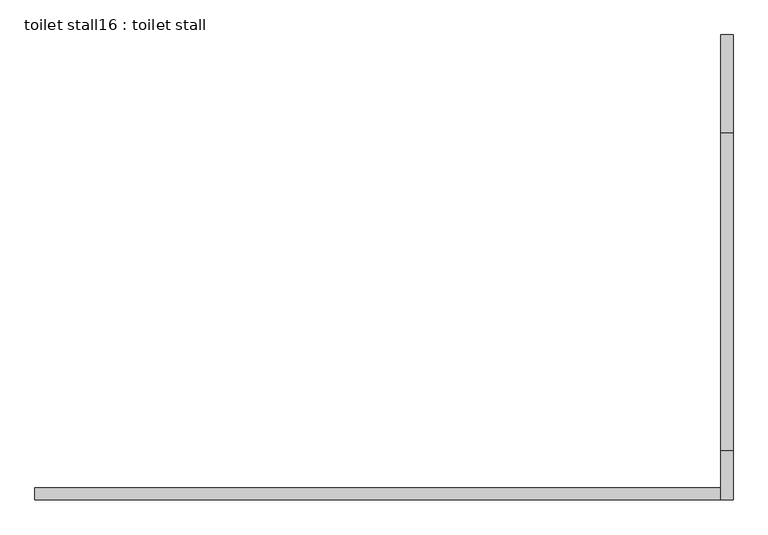
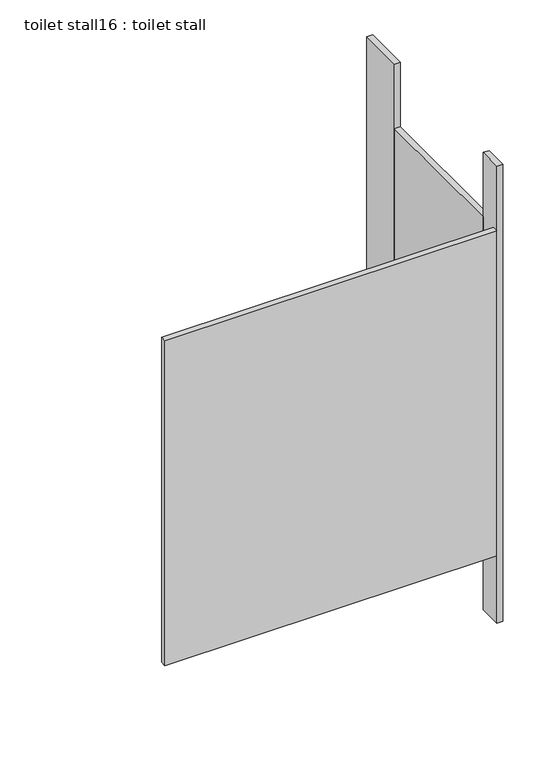
"""IFC4 building model written with IfcOpenShell, lengths in millimetres: proxy geometry, toilet stall16 : toilet stall."""

from ifc_helpers import new_model, si_unit, frame, origin, origin_with_axes, place, context, project, spatial, polyline, outline, extrude, source, transform, mapped, element, save


def toilet_stall16_toilet_stall_0dfec9f1(model_context):
    return source(origin(), model_context, "Body", "SweptSolid", [
        extrude(outline(polyline([(458207.8504676, -270861.6113632), (458207.8504676, -270658.4113632), (458233.2504676, -270658.4113632), (458233.2504676, -270861.6113632), (458207.8504676, -270861.6113632)])), origin_with_axes(), (0.0, 0.0, 1.0), 2070.1),
        extrude(outline(polyline([(458207.8504676, -271623.6113632), (458207.8504676, -271522.0113632), (458233.2504676, -271522.0113632), (458233.2504676, -271623.6113632), (458207.8504676, -271623.6113632)])), origin_with_axes(), (0.0, 0.0, 1.0), 2070.1),
        extrude(outline(polyline([(458207.8504676, -271623.6113632), (456785.4504676, -271623.6113632), (456785.4504676, -271598.2113632), (458207.8504676, -271598.2113632), (458207.8504676, -271623.6113632)])), frame((0.0, 0.0, 304.8), z_axis=(0.0, 0.0, 1.0), x_axis=(1.0, 0.0, 0.0)), (0.0, 0.0, 1.0), 1473.2),
        extrude(outline(polyline([(458207.8504676, -271522.0113632), (458207.8504676, -270861.6113632), (458233.2504676, -270861.6113632), (458233.2504676, -271522.0113632), (458207.8504676, -271522.0113632)])), frame((0.0, 0.0, 304.8), z_axis=(0.0, 0.0, 1.0), x_axis=(1.0, 0.0, 0.0)), (0.0, 0.0, 1.0), 1473.2),
    ])


if __name__ == "__main__":
    model = new_model("IFC4")
    model_context = context("Model", 3, world=origin())
    ifc_project = project(units=[si_unit("LENGTHUNIT", "METRE", prefix="MILLI")], contexts=[model_context])
    site = spatial("IfcSite", under=ifc_project)
    building = spatial("IfcBuilding", under=site)
    placement = place(None, origin())
    toilet_stall16_toilet_stall_shape = toilet_stall16_toilet_stall_0dfec9f1(model_context)
    element("IfcBuildingElementProxy", 1, Name="toilet stall16 : toilet stall", ObjectType="toilet stall16 : toilet stall", at=placement, inside=building, context=model_context, shape_type="MappedRepresentation", body=[
        mapped(toilet_stall16_toilet_stall_shape, transform((0.0, 0.0, 0.0), x_axis=(1.0, 0.0, 0.0), y_axis=(0.0, 1.0, 0.0), z_axis=(0.0, 0.0, 1.0))),
    ])
    save(model, "model.ifc")
